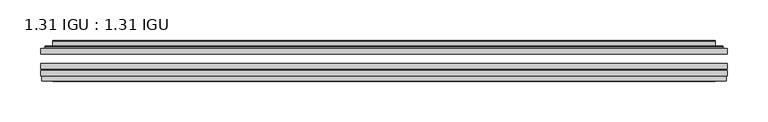
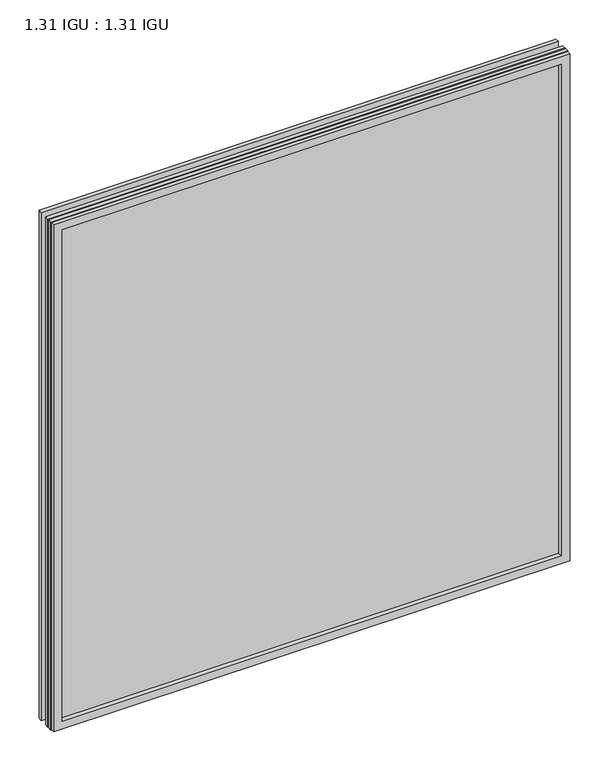
"""IFC4 building model written with IfcOpenShell, lengths in millimetres: plate geometry, 1.31 IGU : 1.31 IGU."""

from ifc_helpers import new_model, si_unit, frame, origin, place, context, project, spatial, polyline, ellipse_curve, outline, extrude, faceted_brep, source, transform, mapped, element, save
from ifc_brep_helpers import plane_surface, cylinder_surface, advanced_brep


def plate_1_31_igu_1_31_igu_13d35ebb(model_context):
    return source(origin(), model_context, "Body", "SolidModel", [
        extrude(outline(polyline([(419.1140393, -63.59525), (419.1140393, -69.94525), (-419.0998644, -69.94525), (-419.0998644, -63.59525), (419.1140393, -63.59525)])), frame((0.0, 0.0, -14.2875), z_axis=(0.0, 0.0, 1.0), x_axis=(1.0, 0.0, 0.0)), (0.0, 0.0, 1.0), 869.9537979),
        extrude(outline(polyline([(-419.0998644, -78.58125), (-419.0998644, -72.230745), (419.1140393, -72.230745), (419.1140393, -78.58125), (-419.0998644, -78.58125)])), frame((0.0, 0.0, -14.2875), z_axis=(0.0, 0.0, 1.0), x_axis=(1.0, 0.0, 0.0)), (0.0, 0.0, 1.0), 869.9537979),
        extrude(outline(polyline([(419.1140393, -45.25645), (419.1140393, -51.60645), (-419.0998644, -51.60645), (-419.0998644, -45.25645), (419.1140393, -45.25645)])), frame((0.0, 0.0, -14.2875), z_axis=(0.0, 0.0, 1.0), x_axis=(1.0, 0.0, 0.0)), (0.0, 0.0, 1.0), 869.9537979),
        faceted_brep([(-418.3996786, -84.93125, 854.9623142), (-418.3996786, -78.58125, 854.9623142), (-418.3996786, -78.58125, -13.5873142), (-418.3996786, -84.93125, -13.5873142), (418.3996786, -78.58125, -13.5873142), (418.3996786, -84.93125, -13.5873142), (418.3996786, -78.58125, 854.9623142), (418.3996786, -84.93125, 854.9623142), (-403.9146202, -78.58125, 0.8977441), (403.9146202, -78.58125, 0.8977441), (403.9146202, -78.58125, 840.4772559), (-403.9146202, -78.58125, 840.4772559), (-404.8070545, -84.93125, 841.3696902), (404.8070545, -84.93125, 841.3696902), (404.8070545, -84.93125, 0.0053098), (-404.8070545, -84.93125, 0.0053098)], [[[0, 1, 2, 3]], [[3, 2, 4, 5]], [[5, 4, 6, 7]], [[1, 6, 4, 2], [8, 9, 10, 11]], [[7, 6, 1, 0]], [[3, 5, 7, 0], [12, 13, 14, 15]], [[11, 12, 15, 8]], [[8, 15, 14, 9]], [[9, 14, 13, 10]], [[10, 13, 12, 11]]]),
        advanced_brep(
        [(-411.8585834, -45.25645, 848.4212191), (-414.2127888, -43.2667833, 850.7754244), (-414.2127888, -43.2667833, -9.4004244), (-411.8585834, -45.25645, -7.046219), (-402.7842583, -41.416413, 839.3468939), (-397.8494264, -45.25645, 834.4120621), (-397.8494264, -45.25645, 6.9629379), (-402.7842583, -41.416413, 2.0281061), (-403.816286, -36.0191819, 840.3789217), (-403.816286, -36.0191819, 0.9960783), (-404.8069428, -35.6202069, 841.3695784), (-404.8069428, -35.6202069, 0.0054216), (-404.8069428, -42.08145, 841.3695784), (-404.8069428, -42.08145, 0.0054216), (-413.2109992, -42.08145, 849.7736349), (-413.2109992, -42.08145, -8.3986349), (414.2127888, -43.2667833, -9.4004244), (411.8585834, -45.25645, -7.046219), (397.8494264, -45.25645, 6.9629379), (402.7842583, -41.416413, 2.0281061), (403.816286, -36.0191819, 0.9960783), (404.8069428, -35.6202069, 0.0054216), (404.8069428, -42.08145, 0.0054216), (413.2109992, -42.08145, -8.3986349), (414.2127888, -43.2667833, 850.7754244), (411.8585834, -45.25645, 848.4212191), (397.8494264, -45.25645, 834.4120621), (402.7842583, -41.416413, 839.3468939), (403.816286, -36.0191819, 840.3789217), (404.8069428, -35.6202069, 841.3695784), (404.8069428, -42.08145, 841.3695784), (413.2109992, -42.08145, 849.7736349)],
        [
            (0, 1, ellipse_curve(frame((-411.8585834, -42.86885, 848.4212191), z_axis=(-0.7071067811865475, 0.0, -0.7071067811865475), x_axis=(-0.7071067811865474, 0.0, 0.7071067811865476)), 3.3765763, 2.3876)),
            (1, 2),
            (2, 3, ellipse_curve(frame((-411.8585834, -42.86885, -7.046219), z_axis=(-0.7071067811865475, 0.0, 0.7071067811865475), x_axis=(0.7071067811865474, 0.0, 0.7071067811865476)), 3.3765763, 2.3876)),
            (3, 0),
            (4, 5),
            (5, 6),
            (6, 7),
            (7, 4),
            (8, 4),
            (7, 9),
            (9, 8),
            (10, 8, ellipse_curve(frame((-404.4399862, -36.1384423, 841.0026219), z_axis=(-0.7071067811865475, 0.0, -0.7071067811865475), x_axis=(-0.7071067811865474, 0.0, 0.7071067811865476)), 0.8980256, 0.635)),
            (9, 11, ellipse_curve(frame((-404.4399862, -36.1384423, 0.3723781), z_axis=(-0.7071067811865475, 0.0, 0.7071067811865475), x_axis=(0.7071067811865474, 0.0, 0.7071067811865476)), 0.8980256, 0.635)),
            (11, 10),
            (12, 10),
            (11, 13),
            (13, 12),
            (1, 14, ellipse_curve(frame((-413.2109992, -43.09745, 849.7736349), z_axis=(-0.7071067811865475, 0.0, -0.7071067811865475), x_axis=(-0.7071067811865474, 0.0, 0.7071067811865476)), 1.436841, 1.016)),
            (14, 15),
            (15, 2, ellipse_curve(frame((-413.2109992, -43.09745, -8.3986349), z_axis=(-0.7071067811865475, 0.0, 0.7071067811865475), x_axis=(0.7071067811865474, 0.0, 0.7071067811865476)), 1.436841, 1.016)),
            (2, 16),
            (16, 17, ellipse_curve(frame((411.8585834, -42.86885, -7.046219), z_axis=(-0.7071067811865475, 0.0, -0.7071067811865475), x_axis=(-0.7071067811865476, 0.0, 0.7071067811865474)), 3.3765763, 2.3876)),
            (17, 3),
            (6, 18),
            (18, 19),
            (19, 7),
            (19, 20),
            (20, 9),
            (20, 21, ellipse_curve(frame((404.4399862, -36.1384423, 0.3723781), z_axis=(-0.7071067811865475, 0.0, -0.7071067811865475), x_axis=(-0.7071067811865476, 0.0, 0.7071067811865474)), 0.8980256, 0.635)),
            (21, 11),
            (21, 22),
            (22, 13),
            (15, 23),
            (23, 16, ellipse_curve(frame((413.2109992, -43.09745, -8.3986349), z_axis=(-0.7071067811865475, 0.0, -0.7071067811865475), x_axis=(-0.7071067811865476, 0.0, 0.7071067811865474)), 1.436841, 1.016)),
            (16, 24),
            (24, 25, ellipse_curve(frame((411.8585834, -42.86885, 848.4212191), z_axis=(0.7071067811865475, 0.0, -0.7071067811865475), x_axis=(-0.7071067811865474, 0.0, -0.7071067811865476)), 3.3765763, 2.3876)),
            (25, 17),
            (18, 26),
            (26, 27),
            (27, 19),
            (27, 28),
            (28, 20),
            (28, 29, ellipse_curve(frame((404.4399862, -36.1384423, 841.0026219), z_axis=(0.7071067811865475, 0.0, -0.7071067811865475), x_axis=(-0.7071067811865474, 0.0, -0.7071067811865476)), 0.8980256, 0.635)),
            (29, 21),
            (29, 30),
            (30, 22),
            (23, 31),
            (31, 24, ellipse_curve(frame((413.2109992, -43.09745, 849.7736349), z_axis=(0.7071067811865475, 0.0, -0.7071067811865475), x_axis=(-0.7071067811865474, 0.0, -0.7071067811865476)), 1.436841, 1.016)),
            (24, 1),
            (0, 25),
            (5, 26),
            (4, 27),
            (8, 28),
            (10, 29),
            (12, 30),
            (14, 31),
        ],
        [
            cylinder_surface(frame((-411.8585834, -42.86885, 873.125), z_axis=(0.0, 0.0, 1.0), x_axis=(-1.0, 0.0, 0.0)), 2.3876),
            plane_surface(frame((-397.8494264, -45.25645, 834.4120621), z_axis=(0.6141233906514794, 0.7892100234124821, 0.0), x_axis=(0.0, 0.0, -1.0))),
            plane_surface(frame((-402.7842583, -41.416413, 839.3468939), z_axis=(0.9822050625507729, 0.18781164793386076, 0.0), x_axis=(0.0, 0.0, -1.0))),
            cylinder_surface(frame((-404.4399862, -36.1384423, 873.125), z_axis=(0.0, 0.0, 1.0), x_axis=(-1.0, 0.0, 0.0)), 0.635),
            plane_surface(frame((-404.8069428, -35.6202069, 841.3695784), z_axis=(-1.0, 0.0, 0.0), x_axis=(0.0, 0.0, -1.0))),
            cylinder_surface(frame((-413.2109992, -43.09745, 873.125), z_axis=(0.0, 0.0, 1.0), x_axis=(-1.0, 0.0, 0.0)), 1.016),
            cylinder_surface(frame((-436.5623644, -42.86885, -7.046219), z_axis=(-1.0, 0.0, 0.0), x_axis=(0.0, 0.0, -1.0)), 2.3876),
            plane_surface(frame((-397.8494264, -45.25645, 6.9629379), z_axis=(0.0, 0.7892100234124841, 0.6141233906514768), x_axis=(1.0, 0.0, 0.0))),
            plane_surface(frame((-402.7842583, -41.416413, 2.0281061), z_axis=(0.0, 0.18781164793386393, 0.9822050625507723), x_axis=(1.0, 0.0, 0.0))),
            cylinder_surface(frame((-436.5623644, -36.1384423, 0.3723781), z_axis=(-1.0, 0.0, 0.0), x_axis=(0.0, 0.0, -1.0)), 0.635),
            plane_surface(frame((-404.8069428, -35.6202069, 0.0054216), z_axis=(0.0, 0.0, -1.0), x_axis=(1.0, 0.0, 0.0))),
            cylinder_surface(frame((-436.5623644, -43.09745, -8.3986349), z_axis=(-1.0, 0.0, 0.0), x_axis=(0.0, 0.0, -1.0)), 1.016),
            cylinder_surface(frame((411.8585834, -42.86885, -31.75), z_axis=(0.0, 0.0, -1.0), x_axis=(1.0, 0.0, 0.0)), 2.3876),
            plane_surface(frame((397.8494264, -45.25645, 6.9629379), z_axis=(-0.6141233906514743, 0.7892100234124861, 0.0), x_axis=(0.0, 0.0, 1.0))),
            plane_surface(frame((402.7842583, -41.416413, 2.0281061), z_axis=(-0.9822050625507718, 0.1878116479338671, 0.0), x_axis=(0.0, 0.0, 1.0))),
            cylinder_surface(frame((404.4399862, -36.1384423, -31.75), z_axis=(0.0, 0.0, -1.0), x_axis=(1.0, 0.0, 0.0)), 0.635),
            plane_surface(frame((404.8069428, -35.6202069, 0.0054216), z_axis=(1.0, 0.0, 0.0), x_axis=(0.0, 0.0, 1.0))),
            cylinder_surface(frame((413.2109992, -43.09745, -31.75), z_axis=(0.0, 0.0, -1.0), x_axis=(1.0, 0.0, 0.0)), 1.016),
            cylinder_surface(frame((436.5623644, -42.86885, 848.4212191), z_axis=(1.0, 0.0, 0.0), x_axis=(0.0, 0.0, 1.0)), 2.3876),
            plane_surface(frame((411.8585834, -45.25645, 848.4212191), z_axis=(0.0, -1.0, 0.0), x_axis=(-1.0, 0.0, 0.0))),
            plane_surface(frame((397.8494264, -45.25645, 834.4120621), z_axis=(0.0, 0.7892100234124841, -0.6141233906514768), x_axis=(-1.0, 0.0, 0.0))),
            plane_surface(frame((402.7842583, -41.416413, 839.3468939), z_axis=(0.0, 0.18781164793386393, -0.9822050625507723), x_axis=(-1.0, 0.0, 0.0))),
            cylinder_surface(frame((436.5623644, -36.1384423, 841.0026219), z_axis=(1.0, 0.0, 0.0), x_axis=(0.0, 0.0, 1.0)), 0.635),
            plane_surface(frame((404.8069428, -35.6202069, 841.3695784), z_axis=(0.0, 0.0, 1.0), x_axis=(-1.0, 0.0, 0.0))),
            plane_surface(frame((404.8069428, -42.08145, 841.3695784), z_axis=(0.0, 1.0, 0.0), x_axis=(-1.0, 0.0, 0.0))),
            cylinder_surface(frame((436.5623644, -43.09745, 849.7736349), z_axis=(1.0, 0.0, 0.0), x_axis=(0.0, 0.0, 1.0)), 1.016),
        ],
        [
            (0, [[1, 2, 3, 4]]),
            (1, [[5, 6, 7, 8]]),
            (2, [[9, -8, 10, 11]]),
            (3, [[12, -11, 13, 14]]),
            (4, [[15, -14, 16, 17]]),
            (5, [[18, 19, 20, -2]]),
            (6, [[-3, 21, 22, 23]]),
            (7, [[-7, 24, 25, 26]]),
            (8, [[-10, -26, 27, 28]]),
            (9, [[-13, -28, 29, 30]]),
            (10, [[-16, -30, 31, 32]]),
            (11, [[-20, 33, 34, -21]]),
            (12, [[-22, 35, 36, 37]]),
            (13, [[-25, 38, 39, 40]]),
            (14, [[-27, -40, 41, 42]]),
            (15, [[-29, -42, 43, 44]]),
            (16, [[-31, -44, 45, 46]]),
            (17, [[-34, 47, 48, -35]]),
            (18, [[-36, 49, -1, 50]]),
            (19, [[-23, -37, -50, -4], [51, -38, -24, -6]]),
            (20, [[-39, -51, -5, 52]]),
            (21, [[-41, -52, -9, 53]]),
            (22, [[-43, -53, -12, 54]]),
            (23, [[-45, -54, -15, 55]]),
            (24, [[56, -47, -33, -19], [-32, -46, -55, -17]]),
            (25, [[-48, -56, -18, -49]]),
        ],
    ),
    ])


if __name__ == "__main__":
    model = new_model("IFC4")
    model_context = context("Model", 3, world=origin())
    ifc_project = project(units=[si_unit("LENGTHUNIT", "METRE", prefix="MILLI")], contexts=[model_context])
    site = spatial("IfcSite", under=ifc_project)
    building = spatial("IfcBuilding", under=site)
    placement = place(None, origin())
    plate_1_31_igu_1_31_igu_shape = plate_1_31_igu_1_31_igu_13d35ebb(model_context)
    element("IfcPlate", 1, ObjectType="1.31 IGU : 1.31 IGU", at=placement, inside=building, context=model_context, shape_type="MappedRepresentation", body=[
        mapped(plate_1_31_igu_1_31_igu_shape, transform((0.0, 0.0, 0.0), x_axis=(1.0, 0.0, 0.0), y_axis=(0.0, 1.0, 0.0), z_axis=(0.0, 0.0, 1.0))),
    ])
    save(model, "model.ifc")
